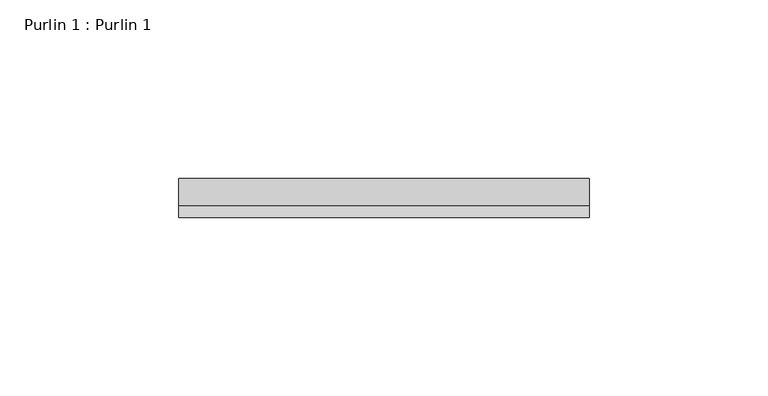
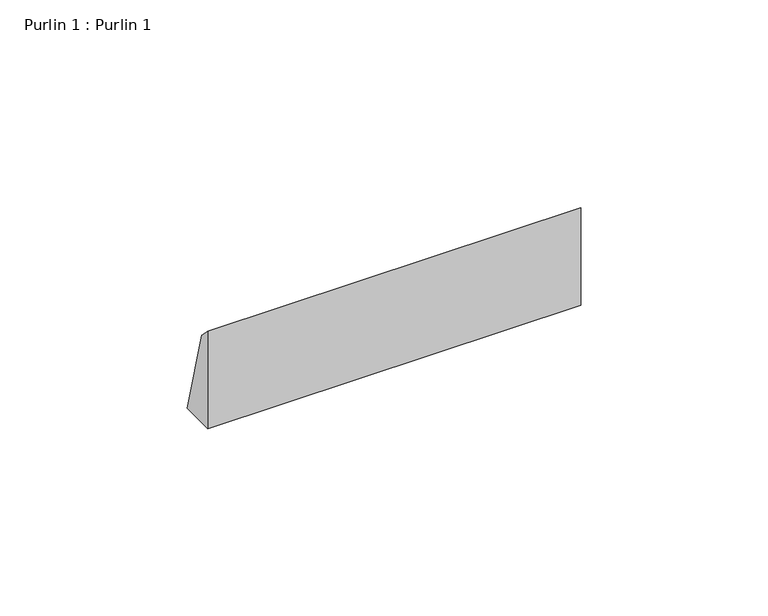
"""IFC4 building model written with IfcOpenShell, lengths in millimetres: proxy geometry, Purlin 1 : Purlin 1."""

import ifcopenshell
import ifcopenshell.guid

model = None  # the IFC model being written
_history = None  # IfcOwnerHistory: only IFC2X3 demands one
_inside = {}  # id of a spatial element -> (the spatial element, [elements in it])
_under = {}  # id of a project, library or spatial element -> (it, [spatial elements below it])
_declared = {}  # id of a project -> (the project, [libraries it declares])
_typed = {}  # id of a type object -> (the type object, [elements of that type])
_made_of = {}  # id of a material, layer set ... -> (it, [elements and type objects made of it])


def new_model(schema):
    """Start an empty IFC model of exactly this schema.

    Asked for "IFC4X3", IfcOpenShell would pick the latest addendum, in which some entities
    have other attributes; the version numbers below select the first issue.
    IFC2X3 requires an IfcOwnerHistory on every rooted entity: one is made here for all.
    """
    global model, _history
    if schema == "IFC4X3":
        model = ifcopenshell.file(schema_version=(4, 3, 0, 0))
    else:
        model = ifcopenshell.file(schema=schema)
    _inside.clear()
    _under.clear()
    _declared.clear()
    _typed.clear()
    _made_of.clear()
    _history = None
    if model.schema == "IFC2X3":
        org = make("IfcOrganization", Name="unknown")
        user = make(
            "IfcPersonAndOrganization",
            ThePerson=make("IfcPerson", FamilyName="unknown"),
            TheOrganization=org,
        )
        app = make(
            "IfcApplication",
            ApplicationDeveloper=org,
            Version="unknown",
            ApplicationFullName="unknown",
            ApplicationIdentifier="unknown",
        )
        _history = make(
            "IfcOwnerHistory",
            OwningUser=user,
            OwningApplication=app,
            ChangeAction="ADDED",
            CreationDate=0,
        )
    return model


def make(cls, **values):
    """One entity of the class cls with the attributes given. An attribute that is None is left unset."""
    return model.create_entity(
        cls, **{name: value for name, value in values.items() if value is not None}
    )


def rooted(cls, **values):
    """An entity with a GlobalId (a new one), such as an element, a storey or a relation."""
    return make(cls, GlobalId=ifcopenshell.guid.new(), OwnerHistory=_history, **values)


def si_unit(unit_type, name, prefix=None):
    """IfcSIUnit, for example si_unit("LENGTHUNIT", "METRE", prefix="MILLI")."""
    return make("IfcSIUnit", UnitType=unit_type, Prefix=prefix, Name=name)


def assignment(units):
    """IfcUnitAssignment: the units of a project."""
    return None if units is None else make("IfcUnitAssignment", Units=units)


def point(xyz):
    """IfcCartesianPoint."""
    return None if xyz is None else make("IfcCartesianPoint", Coordinates=xyz)


def direction(xyz):
    """IfcDirection."""
    return None if xyz is None else make("IfcDirection", DirectionRatios=xyz)


def frame(location, z_axis=None, x_axis=None):
    """IfcAxis2Placement3D, a coordinate frame: its origin and axes. An axis left out is left unset."""
    return make(
        "IfcAxis2Placement3D",
        Location=point(location),
        Axis=direction(z_axis),
        RefDirection=direction(x_axis),
    )


def origin():
    """The frame at (0, 0, 0) with its axes left unset."""
    return frame((0.0, 0.0, 0.0))


def place(relative_to, where):
    """IfcLocalPlacement: puts the frame where relative to a parent placement (None: the world)."""
    return make(
        "IfcLocalPlacement", PlacementRelTo=relative_to, RelativePlacement=where
    )


def context(
    kind, dimensions, precision=None, world=None, true_north=None, identifier=None
):
    """IfcGeometricRepresentationContext, for example the 3D "Model" context."""
    return make(
        "IfcGeometricRepresentationContext",
        ContextIdentifier=identifier,
        ContextType=kind,
        CoordinateSpaceDimension=dimensions,
        Precision=precision,
        WorldCoordinateSystem=world,
        TrueNorth=true_north,
    )


def project(units=None, contexts=None):
    """IfcProject with its units and contexts."""
    return rooted(
        "IfcProject",
        Name="project",
        RepresentationContexts=contexts,
        UnitsInContext=assignment(units),
    )


def spatial(cls, under=None, at=None, **own):
    """A site, building, storey or space (cls), placed at a placement, below another one or the project."""
    s = rooted(cls, ObjectPlacement=at, **own)
    if under is not None:
        _under.setdefault(under.id(), (under, []))[1].append(s)
    return s


def polyline(points):
    """IfcPolyline through the points."""
    return make("IfcPolyline", Points=[point(p) for p in points])


def outline(outer, holes=None, kind="AREA"):
    """IfcArbitraryClosedProfileDef: a profile drawn as a closed curve; with holes, ...WithVoids."""
    if holes is None:
        return make("IfcArbitraryClosedProfileDef", ProfileType=kind, OuterCurve=outer)
    return make(
        "IfcArbitraryProfileDefWithVoids",
        ProfileType=kind,
        OuterCurve=outer,
        InnerCurves=holes,
    )


def extrude(swept, where, along, depth):
    """IfcExtrudedAreaSolid: the profile swept, set in the frame where, extruded along a direction by depth."""
    return make(
        "IfcExtrudedAreaSolid",
        SweptArea=swept,
        Position=where,
        ExtrudedDirection=direction(along),
        Depth=depth,
    )


def shape(context_of_items, identifier, shape_type, items):
    """IfcShapeRepresentation: the items that make up one representation, for example the "Body"."""
    return make(
        "IfcShapeRepresentation",
        ContextOfItems=context_of_items,
        RepresentationIdentifier=identifier,
        RepresentationType=shape_type,
        Items=items,
    )


def source(mapping_origin, context_of_items, identifier, shape_type, items):
    """IfcRepresentationMap: a shape defined once, which mapped items show again and again."""
    return make(
        "IfcRepresentationMap",
        MappingOrigin=mapping_origin,
        MappedRepresentation=shape(context_of_items, identifier, shape_type, items),
    )


def transform(
    local_origin,
    x_axis=None,
    y_axis=None,
    z_axis=None,
    scale=None,
    scale2=None,
    scale3=None,
    uniform=True,
):
    """IfcCartesianTransformationOperator3D, or its non-uniform kind. x_axis, y_axis, z_axis: its Axis1, 2, 3."""
    if uniform:
        return make(
            "IfcCartesianTransformationOperator3D",
            Axis1=direction(x_axis),
            Axis2=direction(y_axis),
            LocalOrigin=point(local_origin),
            Scale=scale,
            Axis3=direction(z_axis),
        )
    return make(
        "IfcCartesianTransformationOperator3DnonUniform",
        Axis1=direction(x_axis),
        Axis2=direction(y_axis),
        LocalOrigin=point(local_origin),
        Scale=scale,
        Axis3=direction(z_axis),
        Scale2=scale2,
        Scale3=scale3,
    )


def mapped(mapping_source, mapping_target):
    """IfcMappedItem: shows the shape of a source again, moved by a transform."""
    return make(
        "IfcMappedItem", MappingSource=mapping_source, MappingTarget=mapping_target
    )


def made_of(thing, what):
    """Note that an element or type object is made of a material, layer set ...; save() writes the relation."""
    if what is not None:
        _made_of.setdefault(what.id(), (what, []))[1].append(thing)
    return thing


def element(
    cls,
    number,
    at=None,
    inside=None,
    cuts=None,
    type_object=None,
    material=None,
    context=None,
    identifier="Body",
    shape_type=None,
    held_by="IfcProductDefinitionShape",
    body=None,
    shapes=None,
    **own,
):
    """One element of the class cls, such as IfcWall. Its Tag is "e" and its number.

    at: its placement. inside: the storey or other place that contains it. cuts: it is an
    opening in that element (IfcRelVoidsElement). A single representation is given by context,
    identifier, shape_type and body (its items); several are given by shapes. held_by: the class
    of the entity that holds the representations. save() writes the other relations.
    """
    e = rooted(cls, Tag="e%d" % number, ObjectPlacement=at, **own)
    if body is not None:
        shapes = [shape(context, identifier, shape_type, body)]
    if shapes is not None:
        e.Representation = make(held_by, Representations=shapes)
    if inside is not None:
        _inside.setdefault(inside.id(), (inside, []))[1].append(e)
    if cuts is not None:
        rooted(
            "IfcRelVoidsElement", RelatingBuildingElement=cuts, RelatedOpeningElement=e
        )
    if type_object is not None:
        _typed.setdefault(type_object.id(), (type_object, []))[1].append(e)
    return made_of(e, material)


def aggregate(whole, parts):
    """IfcRelAggregates: a whole, such as a stair, and the parts it consists of."""
    return rooted("IfcRelAggregates", RelatingObject=whole, RelatedObjects=parts)


def save(model, path):
    """Write the relations noted so far, then the file.

    IfcRelAggregates (storeys below a building ...), IfcRelContainedInSpatialStructure (elements
    in a storey), IfcRelDefinesByType, IfcRelAssociatesMaterial and IfcRelDeclares: one each for
    every whole, place, type object, material and project.
    """
    for whole, parts in _under.values():
        aggregate(whole, parts)
    for where, things in _inside.values():
        rooted(
            "IfcRelContainedInSpatialStructure",
            RelatedElements=things,
            RelatingStructure=where,
        )
    for kind, things in _typed.values():
        rooted("IfcRelDefinesByType", RelatedObjects=things, RelatingType=kind)
    for what, things in _made_of.values():
        rooted("IfcRelAssociatesMaterial", RelatedObjects=things, RelatingMaterial=what)
    for by, libraries in _declared.values():
        rooted("IfcRelDeclares", RelatingContext=by, RelatedDefinitions=libraries)
    model.write(path)


def purlin_1_purlin_1_b33fa4f9(model_context):
    return source(origin(), model_context, "Body", "SweptSolid", [
        extrude(outline(polyline([(3539.9030193, 1713.033574), (3543.1439824, 1709.792611), (3550.7829558, 1681.283574), (3539.9030193, 1681.283574), (3539.9030193, 1713.033574)])), frame((-5138.086916, 0.0, 0.0), z_axis=(1.0, 0.0, 0.0), x_axis=(0.0, 1.0, 0.0)), (0.0, 0.0, 1.0), 114.8664667),
    ])


if __name__ == "__main__":
    model = new_model("IFC4")
    model_context = context("Model", 3, world=origin())
    ifc_project = project(units=[si_unit("LENGTHUNIT", "METRE", prefix="MILLI")], contexts=[model_context])
    site = spatial("IfcSite", under=ifc_project)
    building = spatial("IfcBuilding", under=site)
    placement = place(None, origin())
    purlin_1_purlin_1_shape = purlin_1_purlin_1_b33fa4f9(model_context)
    element("IfcBuildingElementProxy", 1, Name="Purlin 1 : Purlin 1", ObjectType="Purlin 1 : Purlin 1", at=placement, inside=building, context=model_context, shape_type="MappedRepresentation", body=[
        mapped(purlin_1_purlin_1_shape, transform((0.0, 0.0, 0.0), x_axis=(1.0, 0.0, 0.0), y_axis=(0.0, 1.0, 0.0), z_axis=(0.0, 0.0, 1.0))),
    ])
    save(model, "model.ifc")
